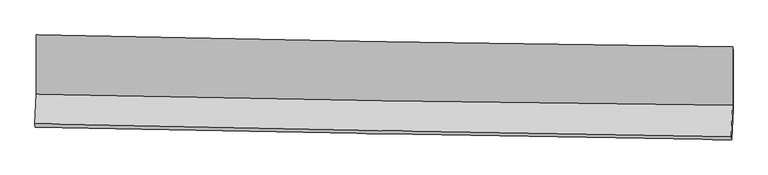
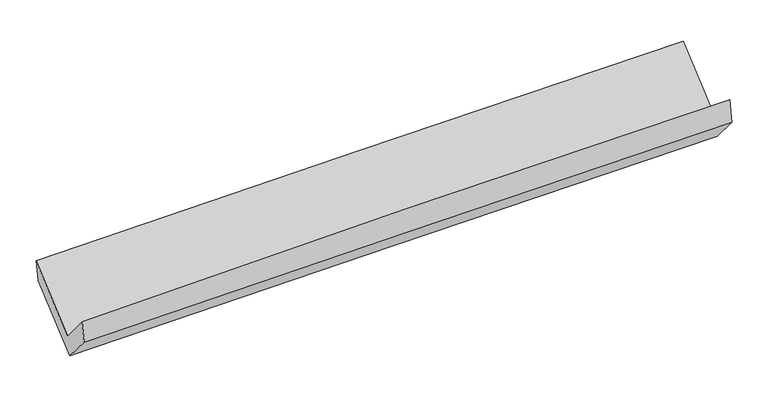
"""IFC4 building model written with IfcOpenShell, lengths in millimetres: proxy geometry."""

from ifc_helpers import new_model, si_unit, frame, origin, place, context, project, spatial, source, transform, mapped, element, save
from ifc_brep_helpers import plane_surface, spline_curve, spline_surface, advanced_brep


def generic_models_b86f9239(model_context):
    return source(origin(), model_context, "Body", "AdvancedBrep", [
        advanced_brep(
        [(-3025.473651, -1154.376427, 2172.2002155), (-3025.4397403, -1668.3023168, 1734.3139848), (3015.269121, -1762.3414496, 1877.7913722), (3015.2358498, -1258.107264, 2307.4198678), (-3036.7739284, -1925.8267192, 2039.3234187), (3003.0885707, -2039.1325888, 2205.5458907), (-3033.2073053, -1954.0625606, 1850.5713896), (3007.2184059, -2063.9143967, 1993.7055953), (-3022.2761663, -1701.88669, 1559.6421804), (3018.5802904, -1801.8014444, 1691.312215), (-3022.0029011, -1182.7521138, 1987.7588488), (3018.8493896, -1290.5812821, 2112.9020739)],
        [
            (0, 1),
            (1, 2, spline_curve(3, [(-3025.4397403, -1668.3023168, 1734.3139848), (-2019.169072379, -1690.752003457, 1775.820578119), (-1012.636932339, -1709.813479903, 1808.530351249), (1000.932696957, -1741.159739393, 1856.355839652), (2007.970177686, -1753.444640373, 1871.471862335), (3015.269121, -1762.3414496, 1877.7913722)], [4, 2, 4], [0.0, 9.913624405760755, 19.827075562431915])),
            (2, 3),
            (3, 0, spline_curve(3, [(3015.2358498, -1258.107264, 2307.4198678), (2008.129112773, -1246.297184256, 2294.693666868), (1001.187682839, -1231.748007402, 2277.06240337), (-1012.382156623, -1197.171157265, 2231.989357182), (-2019.01056029, -1177.143388632, 2204.547403375), (-3025.473651, -1154.376427, 2172.2002155)], [4, 2, 4], [0.0, 9.91345115667116, 19.827075562431915])),
            (1, 4),
            (4, 5, spline_curve(3, [(-3036.7739284, -1925.8267192, 2039.3234187), (-2030.450522895, -1947.049232193, 2079.435362478), (-1023.962545691, -1967.102716813, 2113.343274023), (989.324959774, -2004.871298965, 2168.750547628), (1996.124482441, -2022.586437806, 2190.250126924), (3003.0885707, -2039.1325888, 2205.5458907)], [4, 2, 4], [0.0, 9.913705538583846, 19.82723782666023])),
            (5, 2),
            (4, 6),
            (6, 7, spline_curve(3, [(-3033.2073053, -1954.0625606, 1850.5713896), (-2026.603806105, -1973.71607179, 1879.074916653), (-1019.928848016, -1992.697221489, 1905.254614653), (993.546391459, -2029.314476549, 1952.965935445), (2000.346670762, -2046.950605868, 1974.497639381), (3007.2184059, -2063.9143967, 1993.7055953)], [4, 2, 4], [0.0, 9.913507542723783, 19.826841838400252])),
            (7, 5),
            (6, 8),
            (8, 9, spline_curve(3, [(-3022.2761663, -1701.88669, 1559.6421804), (-2015.458959314, -1716.610074303, 1582.457939433), (-1008.641252412, -1732.298077347, 1604.83841363), (1004.9775664, -1765.603029234, 1648.728410059), (2011.778678261, -1783.219944566, 1670.23794719), (3018.5802904, -1801.8014444, 1691.312215)], [4, 2, 4], [0.0, 9.9133403585979, 19.826507473070173])),
            (9, 7),
            (8, 10),
            (10, 11, spline_curve(3, [(-3022.0029011, -1182.7521138, 1987.7588488), (-2015.186388431, -1198.794555571, 2009.486815631), (-1008.369375894, -1215.801627793, 2030.77948837), (1005.248054294, -1251.744717336, 2072.493881529), (2012.048472098, -1270.680701748, 2092.915617158), (3018.8493896, -1290.5812821, 2112.9020739)], [4, 2, 4], [0.0, 9.913334006988785, 19.82649476996294])),
            (11, 9),
            (10, 0),
            (3, 11),
        ],
        [
            spline_surface(3, 3, [[(-3025.473651, -1154.376427, 2172.2002155), (-2019.010560373, -1177.143388541, 2204.547403411), (-1012.382156578, -1197.171157363, 2231.989357272), (1001.187682794, -1231.748007305, 2277.062403279), (2008.12911261, -1246.297184122, 2294.693666815), (3015.2358498, -1258.107264, 2307.4198678)], [(-3025.462347425, -1325.68505693, 2026.238138595), (-2019.063397728, -1348.346260189, 2061.638461649), (-1012.467081881, -1368.051931621, 2090.836355282), (1001.102687557, -1401.551917977, 2136.826882066), (2008.076134266, -1415.346336159, 2153.619731947), (3015.24694021, -1426.185325856, 2164.210369243)], [(-3025.451043875, -1496.99368687, 1880.276061705), (-2019.116235107, -1519.549131847, 1918.729519904), (-1012.552007172, -1538.932705798, 1949.683353272), (1001.017692331, -1571.355828568, 1996.591360833), (2008.023155892, -1584.395488229, 2012.545797149), (3015.25803059, -1594.263387744, 2021.000870757)], [(-3025.4397403, -1668.3023168, 1734.3139848), (-2019.169072462, -1690.752003496, 1775.820578143), (-1012.636932475, -1709.813480056, 1808.530351281), (1000.932697093, -1741.15973924, 1856.35583962), (2007.970177548, -1753.444640266, 1871.471862281), (3015.269121, -1762.3414496, 1877.7913722)]], [4, 4], [4, 2, 4], [0.0, 2.1745376482757415], [0.0, 9.913624405760755, 19.827075562431915]),
            spline_surface(3, 3, [[(-3025.4397403, -1668.3023168, 1734.3139848), (-2019.169072462, -1690.752003496, 1775.820578143), (-1012.636932475, -1709.813480056, 1808.530351281), (1000.932697093, -1741.15973924, 1856.35583962), (2007.970177548, -1753.444640266, 1871.471862281), (3015.269121, -1762.3414496, 1877.7913722)], [(-3029.217802985, -1754.143784288, 1835.983796117), (-2022.929555912, -1776.184413069, 1877.025506287), (-1016.412136858, -1795.576558943, 1910.134658817), (997.063451336, -1829.063592506, 1960.487408982), (2004.021612477, -1843.158572743, 1977.731283873), (3011.208937578, -1854.605162662, 1987.042878377)], [(-3032.995865715, -1839.985251712, 1937.653607383), (-2026.690039409, -1861.616822579, 1978.23043438), (-1020.187341298, -1881.339637841, 2011.73896638), (993.194205521, -1916.967445783, 2064.618978373), (2000.073047371, -1932.872505235, 2083.990705433), (3007.148754122, -1946.868875738, 2096.294384523)], [(-3036.7739284, -1925.8267192, 2039.3234187), (-2030.45052286, -1947.049232152, 2079.435362524), (-1023.96254568, -1967.102716728, 2113.343273915), (989.324959764, -2004.87129905, 2168.750547736), (1996.1244823, -2022.586437712, 2190.250127024), (3003.0885707, -2039.1325888, 2205.5458907)]], [4, 4], [4, 2, 4], [0.0, 1.3255088004259676], [0.0, 9.913705538583846, 19.82723782666023]),
            spline_surface(3, 3, [[(-3036.7739284, -1925.8267192, 2039.3234187), (-2030.45052286, -1947.049232152, 2079.435362524), (-1023.96254568, -1967.102716728, 2113.343273915), (989.324959764, -2004.87129905, 2168.750547736), (1996.1244823, -2022.586437712, 2190.250127024), (3003.0885707, -2039.1325888, 2205.5458907)], [(-3035.585054053, -1935.238666313, 1976.406075659), (-2029.168283935, -1955.938178724, 2012.648547255), (-1022.617979821, -1975.634218266, 2043.980387499), (990.732103661, -2013.019024888, 2096.822343604), (1997.531878386, -2030.707827099, 2118.332631118), (3004.465182417, -2047.393191455, 2134.932458895)], [(-3034.396179647, -1944.650613487, 1913.488732641), (-2027.886044953, -1964.827125356, 1945.861732008), (-1021.273413917, -1984.16571987, 1974.617501128), (992.139247603, -2021.166750792, 2024.894139518), (1998.939274522, -2038.829216418, 2046.415135227), (3005.841794183, -2055.653794045, 2064.319027105)], [(-3033.2073053, -1954.0625606, 1850.5713896), (-2026.603806028, -1973.716071927, 1879.074916739), (-1019.928848058, -1992.697221408, 1905.254614712), (993.546391501, -2029.314476631, 1952.965935387), (2000.346670608, -2046.950605804, 1974.497639322), (3007.2184059, -2063.9143967, 1993.7055953)]], [4, 4], [4, 2, 4], [0.0, 0.7002890219581217], [0.0, 9.913507542723783, 19.826841838400252]),
            spline_surface(3, 3, [[(-3033.2073053, -1954.0625606, 1850.5713896), (-2026.603806028, -1973.716071927, 1879.074916739), (-1019.928848058, -1992.697221408, 1905.254614712), (993.546391501, -2029.314476631, 1952.965935387), (2000.346670608, -2046.950605804, 1974.497639322), (3007.2184059, -2063.9143967, 1993.7055953)], [(-3029.563592286, -1870.003937071, 1753.594986553), (-2022.888857144, -1888.01407277, 1780.202590935), (-1016.166316189, -1905.897506745, 1805.11588105), (997.356783155, -1941.410660848, 1851.55342694), (2004.157339887, -1959.040385337, 1873.077741944), (3011.005700748, -1976.543412598, 1892.907801889)], [(-3025.919879314, -1785.945313529, 1656.618583447), (-2019.173908303, -1802.3120736, 1681.330265072), (-1012.403784332, -1819.097792021, 1704.977147347), (1001.167174796, -1853.506845005, 1750.140918451), (2007.968009124, -1871.130164876, 1771.6578445), (3014.792995552, -1889.172428502, 1792.110008411)], [(-3022.2761663, -1701.88669, 1559.6421804), (-2015.458959419, -1716.610074443, 1582.457939268), (-1008.641252462, -1732.298077358, 1604.838413685), (1004.977566451, -1765.603029223, 1648.728410004), (2011.778678403, -1783.219944408, 1670.237947122), (3018.5802904, -1801.8014444, 1691.312215)]], [4, 4], [4, 2, 4], [0.0, 1.3131702991753176], [0.0, 9.9133403585979, 19.826507473070173]),
            spline_surface(3, 3, [[(-3022.2761663, -1701.88669, 1559.6421804), (-2015.458959419, -1716.610074443, 1582.457939268), (-1008.641252462, -1732.298077358, 1604.838413685), (1004.977566451, -1765.603029223, 1648.728410004), (2011.778678403, -1783.219944408, 1670.237947122), (3018.5802904, -1801.8014444, 1691.312215)], [(-3022.185077898, -1528.841831283, 1702.347736505), (-2015.368102461, -1544.004901538, 1724.800898017), (-1008.550626951, -1560.132594107, 1746.81877191), (1005.067729069, -1594.31692528, 1789.983567178), (2011.868609575, -1612.373530119, 1811.130503772), (3018.669990123, -1631.394723607, 1831.842167957)], [(-3022.093989502, -1355.796972517, 1845.053292695), (-2015.27724551, -1371.399728584, 1867.14385685), (-1008.460001428, -1387.967110922, 1888.799130141), (1005.157891699, -1423.030821402, 1931.23872436), (2011.958540777, -1441.52711591, 1952.023060451), (3018.759689877, -1460.988002893, 1972.372120943)], [(-3022.0029011, -1182.7521138, 1987.7588488), (-2015.186388552, -1198.794555679, 2009.486815599), (-1008.369375917, -1215.80162767, 2030.779488365), (1005.248054317, -1251.744717459, 2072.493881534), (2012.048471949, -1270.680701621, 2092.915617102), (3018.8493896, -1290.5812821, 2112.9020739)]], [4, 4], [4, 2, 4], [0.0, 2.1908252758147535], [0.0, 9.913334006988785, 19.82649476996294]),
            spline_surface(3, 3, [[(-3022.0029011, -1182.7521138, 1987.7588488), (-2015.186388552, -1198.794555679, 2009.486815599), (-1008.369375917, -1215.80162767, 2030.779488365), (1005.248054317, -1251.744717459, 2072.493881534), (2012.048471949, -1270.680701621, 2092.915617102), (3018.8493896, -1290.5812821, 2112.9020739)], [(-3023.159817754, -1173.293551515, 2049.239304371), (-2016.461112513, -1191.577499948, 2074.50701154), (-1009.706969471, -1209.591470901, 2097.849444674), (1003.894597142, -1245.079147407, 2140.683388789), (2010.742018826, -1262.552862477, 2160.174967011), (3017.644876324, -1279.756609422, 2177.741338539)], [(-3024.316734346, -1163.834989285, 2110.719759929), (-2017.735836412, -1184.360444272, 2139.52720747), (-1011.044563023, -1203.381314132, 2164.919400964), (1002.541139969, -1238.413577356, 2208.872896025), (2009.435565733, -1254.425023266, 2227.434316905), (3016.440363076, -1268.931936678, 2242.580603161)], [(-3025.473651, -1154.376427, 2172.2002155), (-2019.010560373, -1177.143388541, 2204.547403411), (-1012.382156578, -1197.171157363, 2231.989357272), (1001.187682794, -1231.748007305, 2277.062403279), (2008.12911261, -1246.297184122, 2294.693666815), (3015.2358498, -1258.107264, 2307.4198678)]], [4, 4], [4, 2, 4], [0.0, 0.6687871370989691], [0.0, 9.913369401265777, 19.82656555789838]),
            plane_surface(frame((3013.0402712, -1702.6464043, 2031.4461691), z_axis=(0.9995971525128676, -0.018368847115767806, 0.02163603808012306), x_axis=(0.0004061051395228437, 0.7714967497399167, 0.6362331335441122))),
            plane_surface(frame((-3027.5289487, -1597.8678046, 1890.6350063), z_axis=(-0.999597152512975, 0.01836884711284742, -0.02163603807764332), x_axis=(0.018595598575473115, -0.15203137297503, -0.9882007211821631))),
        ],
        [
            (0, [[1, 2, 3, 4]]),
            (1, [[5, 6, 7, -2]]),
            (2, [[8, 9, 10, -6]]),
            (3, [[11, 12, 13, -9]]),
            (4, [[14, 15, 16, -12]]),
            (5, [[17, -4, 18, -15]]),
            (6, [[-16, -18, -3, -7, -10, -13]]),
            (7, [[-17, -14, -11, -8, -5, -1]]),
        ],
    ),
    ])


if __name__ == "__main__":
    model = new_model("IFC4")
    model_context = context("Model", 3, world=origin())
    ifc_project = project(units=[si_unit("LENGTHUNIT", "METRE", prefix="MILLI")], contexts=[model_context])
    site = spatial("IfcSite", under=ifc_project)
    building = spatial("IfcBuilding", under=site)
    placement = place(None, origin())
    generic_models_shape = generic_models_b86f9239(model_context)
    element("IfcBuildingElementProxy", 1, Name="Generic Models", at=placement, inside=building, context=model_context, shape_type="MappedRepresentation", body=[
        mapped(generic_models_shape, transform((0.0, 0.0, 0.0), x_axis=(1.0, 0.0, 0.0), y_axis=(0.0, 1.0, 0.0), z_axis=(0.0, 0.0, 1.0))),
    ])
    save(model, "model.ifc")
